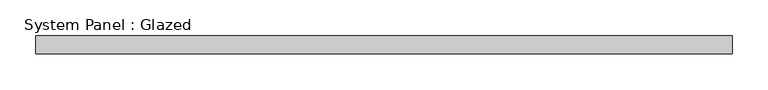
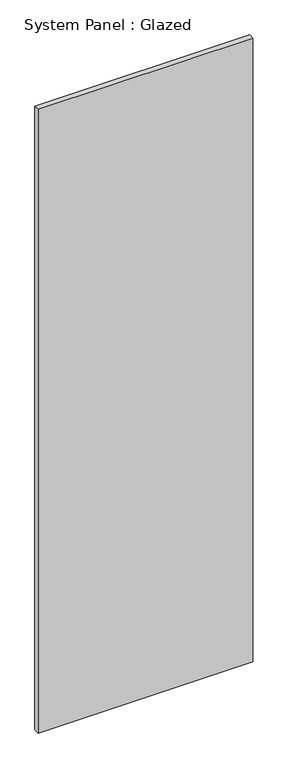
"""IFC4 building model written with IfcOpenShell, lengths in millimetres: plate geometry, System Panel : Glazed."""

from ifc_helpers import new_model, si_unit, origin, origin_with_axes, place, context, project, spatial, polyline, outline, extrude, source, transform, mapped, element, save


def system_panel_glazed_1751a962(model_context):
    return source(origin(), model_context, "Body", "SweptSolid", [
        extrude(outline(polyline([(487.3625, -12.7), (-487.3625, -12.7), (-487.3625, 12.7), (487.3625, 12.7), (487.3625, -12.7)])), origin_with_axes(), (0.0, 0.0, 1.0), 2994.025),
    ])


if __name__ == "__main__":
    model = new_model("IFC4")
    model_context = context("Model", 3, world=origin())
    ifc_project = project(units=[si_unit("LENGTHUNIT", "METRE", prefix="MILLI")], contexts=[model_context])
    site = spatial("IfcSite", under=ifc_project)
    building = spatial("IfcBuilding", under=site)
    placement = place(None, origin())
    system_panel_glazed_shape = system_panel_glazed_1751a962(model_context)
    element("IfcPlate", 1, ObjectType="System Panel : Glazed", at=placement, inside=building, context=model_context, shape_type="MappedRepresentation", body=[
        mapped(system_panel_glazed_shape, transform((0.0, 0.0, 0.0), x_axis=(1.0, 0.0, 0.0), y_axis=(0.0, 1.0, 0.0), z_axis=(0.0, 0.0, 1.0))),
    ])
    save(model, "model.ifc")
